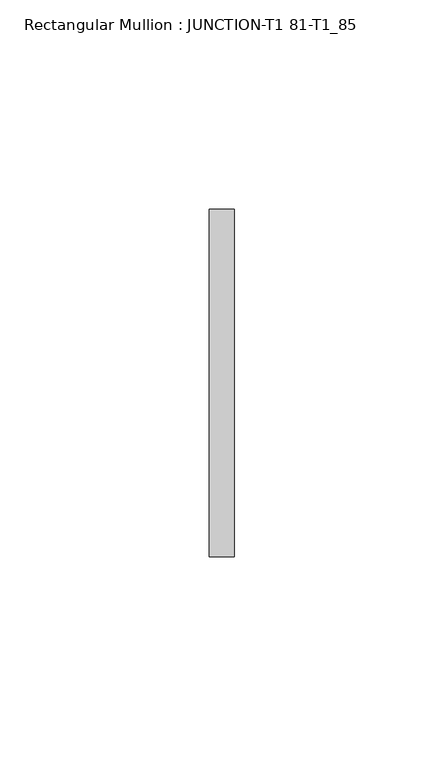
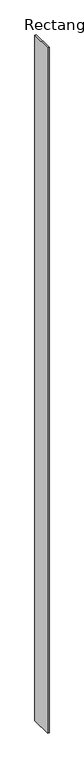
"""IFC4 building model written with IfcOpenShell, lengths in millimetres: member geometry, Rectangular Mullion : JUNCTION-T1 81-T1_85."""

import ifcopenshell
import ifcopenshell.guid

model = None  # the IFC model being written
_history = None  # IfcOwnerHistory: only IFC2X3 demands one
_inside = {}  # id of a spatial element -> (the spatial element, [elements in it])
_under = {}  # id of a project, library or spatial element -> (it, [spatial elements below it])
_declared = {}  # id of a project -> (the project, [libraries it declares])
_typed = {}  # id of a type object -> (the type object, [elements of that type])
_made_of = {}  # id of a material, layer set ... -> (it, [elements and type objects made of it])


def new_model(schema):
    """Start an empty IFC model of exactly this schema.

    Asked for "IFC4X3", IfcOpenShell would pick the latest addendum, in which some entities
    have other attributes; the version numbers below select the first issue.
    IFC2X3 requires an IfcOwnerHistory on every rooted entity: one is made here for all.
    """
    global model, _history
    if schema == "IFC4X3":
        model = ifcopenshell.file(schema_version=(4, 3, 0, 0))
    else:
        model = ifcopenshell.file(schema=schema)
    _inside.clear()
    _under.clear()
    _declared.clear()
    _typed.clear()
    _made_of.clear()
    _history = None
    if model.schema == "IFC2X3":
        org = make("IfcOrganization", Name="unknown")
        user = make(
            "IfcPersonAndOrganization",
            ThePerson=make("IfcPerson", FamilyName="unknown"),
            TheOrganization=org,
        )
        app = make(
            "IfcApplication",
            ApplicationDeveloper=org,
            Version="unknown",
            ApplicationFullName="unknown",
            ApplicationIdentifier="unknown",
        )
        _history = make(
            "IfcOwnerHistory",
            OwningUser=user,
            OwningApplication=app,
            ChangeAction="ADDED",
            CreationDate=0,
        )
    return model


def make(cls, **values):
    """One entity of the class cls with the attributes given. An attribute that is None is left unset."""
    return model.create_entity(
        cls, **{name: value for name, value in values.items() if value is not None}
    )


def rooted(cls, **values):
    """An entity with a GlobalId (a new one), such as an element, a storey or a relation."""
    return make(cls, GlobalId=ifcopenshell.guid.new(), OwnerHistory=_history, **values)


def si_unit(unit_type, name, prefix=None):
    """IfcSIUnit, for example si_unit("LENGTHUNIT", "METRE", prefix="MILLI")."""
    return make("IfcSIUnit", UnitType=unit_type, Prefix=prefix, Name=name)


def assignment(units):
    """IfcUnitAssignment: the units of a project."""
    return None if units is None else make("IfcUnitAssignment", Units=units)


def point(xyz):
    """IfcCartesianPoint."""
    return None if xyz is None else make("IfcCartesianPoint", Coordinates=xyz)


def direction(xyz):
    """IfcDirection."""
    return None if xyz is None else make("IfcDirection", DirectionRatios=xyz)


def frame(location, z_axis=None, x_axis=None):
    """IfcAxis2Placement3D, a coordinate frame: its origin and axes. An axis left out is left unset."""
    return make(
        "IfcAxis2Placement3D",
        Location=point(location),
        Axis=direction(z_axis),
        RefDirection=direction(x_axis),
    )


def origin():
    """The frame at (0, 0, 0) with its axes left unset."""
    return frame((0.0, 0.0, 0.0))


def place(relative_to, where):
    """IfcLocalPlacement: puts the frame where relative to a parent placement (None: the world)."""
    return make(
        "IfcLocalPlacement", PlacementRelTo=relative_to, RelativePlacement=where
    )


def context(
    kind, dimensions, precision=None, world=None, true_north=None, identifier=None
):
    """IfcGeometricRepresentationContext, for example the 3D "Model" context."""
    return make(
        "IfcGeometricRepresentationContext",
        ContextIdentifier=identifier,
        ContextType=kind,
        CoordinateSpaceDimension=dimensions,
        Precision=precision,
        WorldCoordinateSystem=world,
        TrueNorth=true_north,
    )


def project(units=None, contexts=None):
    """IfcProject with its units and contexts."""
    return rooted(
        "IfcProject",
        Name="project",
        RepresentationContexts=contexts,
        UnitsInContext=assignment(units),
    )


def spatial(cls, under=None, at=None, **own):
    """A site, building, storey or space (cls), placed at a placement, below another one or the project."""
    s = rooted(cls, ObjectPlacement=at, **own)
    if under is not None:
        _under.setdefault(under.id(), (under, []))[1].append(s)
    return s


def polyline(points):
    """IfcPolyline through the points."""
    return make("IfcPolyline", Points=[point(p) for p in points])


def outline(outer, holes=None, kind="AREA"):
    """IfcArbitraryClosedProfileDef: a profile drawn as a closed curve; with holes, ...WithVoids."""
    if holes is None:
        return make("IfcArbitraryClosedProfileDef", ProfileType=kind, OuterCurve=outer)
    return make(
        "IfcArbitraryProfileDefWithVoids",
        ProfileType=kind,
        OuterCurve=outer,
        InnerCurves=holes,
    )


def extrude(swept, where, along, depth):
    """IfcExtrudedAreaSolid: the profile swept, set in the frame where, extruded along a direction by depth."""
    return make(
        "IfcExtrudedAreaSolid",
        SweptArea=swept,
        Position=where,
        ExtrudedDirection=direction(along),
        Depth=depth,
    )


def shape(context_of_items, identifier, shape_type, items):
    """IfcShapeRepresentation: the items that make up one representation, for example the "Body"."""
    return make(
        "IfcShapeRepresentation",
        ContextOfItems=context_of_items,
        RepresentationIdentifier=identifier,
        RepresentationType=shape_type,
        Items=items,
    )


def source(mapping_origin, context_of_items, identifier, shape_type, items):
    """IfcRepresentationMap: a shape defined once, which mapped items show again and again."""
    return make(
        "IfcRepresentationMap",
        MappingOrigin=mapping_origin,
        MappedRepresentation=shape(context_of_items, identifier, shape_type, items),
    )


def transform(
    local_origin,
    x_axis=None,
    y_axis=None,
    z_axis=None,
    scale=None,
    scale2=None,
    scale3=None,
    uniform=True,
):
    """IfcCartesianTransformationOperator3D, or its non-uniform kind. x_axis, y_axis, z_axis: its Axis1, 2, 3."""
    if uniform:
        return make(
            "IfcCartesianTransformationOperator3D",
            Axis1=direction(x_axis),
            Axis2=direction(y_axis),
            LocalOrigin=point(local_origin),
            Scale=scale,
            Axis3=direction(z_axis),
        )
    return make(
        "IfcCartesianTransformationOperator3DnonUniform",
        Axis1=direction(x_axis),
        Axis2=direction(y_axis),
        LocalOrigin=point(local_origin),
        Scale=scale,
        Axis3=direction(z_axis),
        Scale2=scale2,
        Scale3=scale3,
    )


def mapped(mapping_source, mapping_target):
    """IfcMappedItem: shows the shape of a source again, moved by a transform."""
    return make(
        "IfcMappedItem", MappingSource=mapping_source, MappingTarget=mapping_target
    )


def made_of(thing, what):
    """Note that an element or type object is made of a material, layer set ...; save() writes the relation."""
    if what is not None:
        _made_of.setdefault(what.id(), (what, []))[1].append(thing)
    return thing


def element(
    cls,
    number,
    at=None,
    inside=None,
    cuts=None,
    type_object=None,
    material=None,
    context=None,
    identifier="Body",
    shape_type=None,
    held_by="IfcProductDefinitionShape",
    body=None,
    shapes=None,
    **own,
):
    """One element of the class cls, such as IfcWall. Its Tag is "e" and its number.

    at: its placement. inside: the storey or other place that contains it. cuts: it is an
    opening in that element (IfcRelVoidsElement). A single representation is given by context,
    identifier, shape_type and body (its items); several are given by shapes. held_by: the class
    of the entity that holds the representations. save() writes the other relations.
    """
    e = rooted(cls, Tag="e%d" % number, ObjectPlacement=at, **own)
    if body is not None:
        shapes = [shape(context, identifier, shape_type, body)]
    if shapes is not None:
        e.Representation = make(held_by, Representations=shapes)
    if inside is not None:
        _inside.setdefault(inside.id(), (inside, []))[1].append(e)
    if cuts is not None:
        rooted(
            "IfcRelVoidsElement", RelatingBuildingElement=cuts, RelatedOpeningElement=e
        )
    if type_object is not None:
        _typed.setdefault(type_object.id(), (type_object, []))[1].append(e)
    return made_of(e, material)


def aggregate(whole, parts):
    """IfcRelAggregates: a whole, such as a stair, and the parts it consists of."""
    return rooted("IfcRelAggregates", RelatingObject=whole, RelatedObjects=parts)


def save(model, path):
    """Write the relations noted so far, then the file.

    IfcRelAggregates (storeys below a building ...), IfcRelContainedInSpatialStructure (elements
    in a storey), IfcRelDefinesByType, IfcRelAssociatesMaterial and IfcRelDeclares: one each for
    every whole, place, type object, material and project.
    """
    for whole, parts in _under.values():
        aggregate(whole, parts)
    for where, things in _inside.values():
        rooted(
            "IfcRelContainedInSpatialStructure",
            RelatedElements=things,
            RelatingStructure=where,
        )
    for kind, things in _typed.values():
        rooted("IfcRelDefinesByType", RelatedObjects=things, RelatingType=kind)
    for what, things in _made_of.values():
        rooted("IfcRelAssociatesMaterial", RelatedObjects=things, RelatingMaterial=what)
    for by, libraries in _declared.values():
        rooted("IfcRelDeclares", RelatingContext=by, RelatedDefinitions=libraries)
    model.write(path)


def rectangular_mullion_junction_t1_81_t1_85_5f369066(model_context):
    return source(origin(), model_context, "Body", "SweptSolid", [
        extrude(outline(polyline([(3.0, -41.5), (-3.0, -41.5), (-3.0, 41.5), (3.0, 41.5), (3.0, -41.5)])), frame((0.0, 0.0, -2755.0), z_axis=(0.0, 0.0, 1.0), x_axis=(1.0, 0.0, 0.0)), (0.0, 0.0, 1.0), 2755.0),
    ])


if __name__ == "__main__":
    model = new_model("IFC4")
    model_context = context("Model", 3, world=origin())
    ifc_project = project(units=[si_unit("LENGTHUNIT", "METRE", prefix="MILLI")], contexts=[model_context])
    site = spatial("IfcSite", under=ifc_project)
    building = spatial("IfcBuilding", under=site)
    placement = place(None, origin())
    rectangular_mullion_junction_t1_81_t1_85_shape = rectangular_mullion_junction_t1_81_t1_85_5f369066(model_context)
    element("IfcMember", 1, ObjectType="Rectangular Mullion : JUNCTION-T1 81-T1_85", at=placement, inside=building, context=model_context, shape_type="MappedRepresentation", body=[
        mapped(rectangular_mullion_junction_t1_81_t1_85_shape, transform((0.0, 0.0, 0.0), x_axis=(1.0, 0.0, 0.0), y_axis=(0.0, 1.0, 0.0), z_axis=(0.0, 0.0, 1.0))),
    ])
    save(model, "model.ifc")
